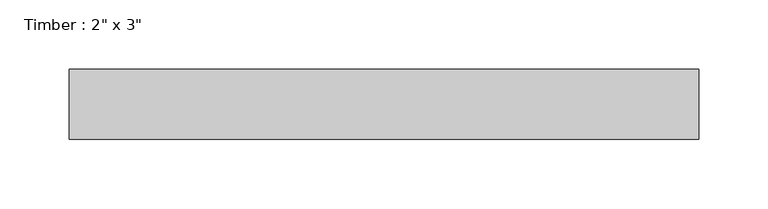
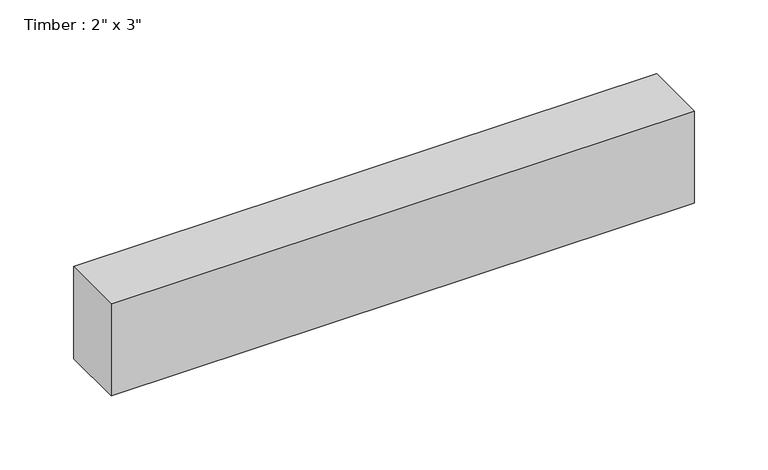
"""IFC4 building model written with IfcOpenShell, lengths in millimetres: beam geometry."""

from ifc_helpers import new_model, si_unit, frame, origin, place, context, project, spatial, polyline, outline, extrude, source, transform, mapped, element, save


def beam_f682173b(model_context):
    return source(origin(), model_context, "Body", "SweptSolid", [
        extrude(outline(polyline([(227.6938822, -25.4), (-227.6938822, -25.4), (-227.6938822, 25.4), (227.6938822, 25.4), (227.6938822, -25.4)])), frame((0.0, 0.0, -38.1), z_axis=(0.0, 0.0, 1.0), x_axis=(1.0, 0.0, 0.0)), (0.0, 0.0, 1.0), 76.2),
    ])


if __name__ == "__main__":
    model = new_model("IFC4")
    model_context = context("Model", 3, world=origin())
    ifc_project = project(units=[si_unit("LENGTHUNIT", "METRE", prefix="MILLI")], contexts=[model_context])
    site = spatial("IfcSite", under=ifc_project)
    building = spatial("IfcBuilding", under=site)
    placement = place(None, origin())
    beam_shape = beam_f682173b(model_context)
    element("IfcBeam", 1, ObjectType="Timber : 2\" x 3\"", at=placement, inside=building, context=model_context, shape_type="MappedRepresentation", body=[
        mapped(beam_shape, transform((0.0, 0.0, 0.0), x_axis=(1.0, 0.0, 0.0), y_axis=(0.0, 1.0, 0.0), z_axis=(0.0, 0.0, 1.0))),
    ])
    save(model, "model.ifc")
